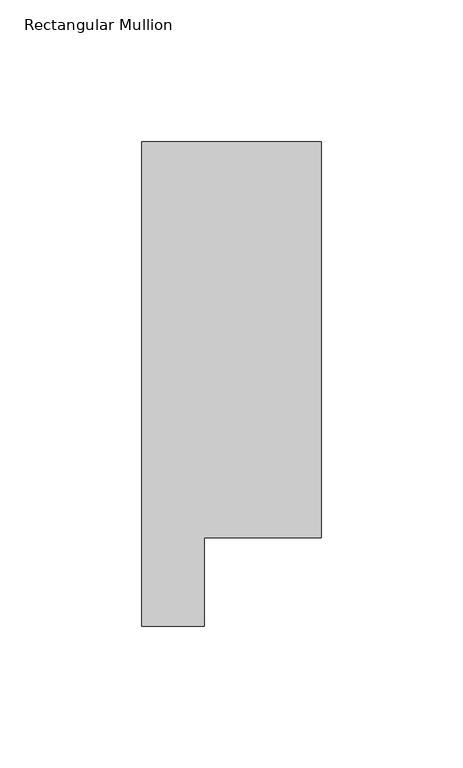
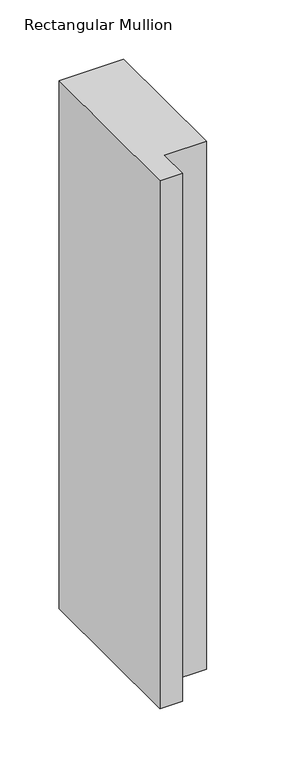
"""IFC4 building model written with IfcOpenShell, lengths in millimetres: member geometry, Rectangular Mullion."""

from ifc_helpers import new_model, si_unit, frame, origin, place, context, project, spatial, polyline, outline, extrude, source, transform, mapped, element, save


def rectangular_mullion_0bc85b8a(model_context):
    return source(origin(), model_context, "Body", "SweptSolid", [
        extrude(outline(polyline([(0.0, 190.7881312), (0.0, 50.820278), (-41.2877, 50.820278), (-41.2877, 19.578278), (-63.5, 19.578278), (-63.5, 190.7881312), (0.0, 190.7881312)])), frame((0.0, 0.0, -546.1), z_axis=(0.0, 0.0, 1.0), x_axis=(1.0, 0.0, 0.0)), (0.0, 0.0, 1.0), 546.1),
    ])


if __name__ == "__main__":
    model = new_model("IFC4")
    model_context = context("Model", 3, world=origin())
    ifc_project = project(units=[si_unit("LENGTHUNIT", "METRE", prefix="MILLI")], contexts=[model_context])
    site = spatial("IfcSite", under=ifc_project)
    building = spatial("IfcBuilding", under=site)
    placement = place(None, origin())
    rectangular_mullion_shape = rectangular_mullion_0bc85b8a(model_context)
    element("IfcMember", 1, ObjectType="Rectangular Mullion", at=placement, inside=building, context=model_context, shape_type="MappedRepresentation", body=[
        mapped(rectangular_mullion_shape, transform((0.0, 0.0, 0.0), x_axis=(1.0, 0.0, 0.0), y_axis=(0.0, 1.0, 0.0), z_axis=(0.0, 0.0, 1.0))),
    ])
    save(model, "model.ifc")
